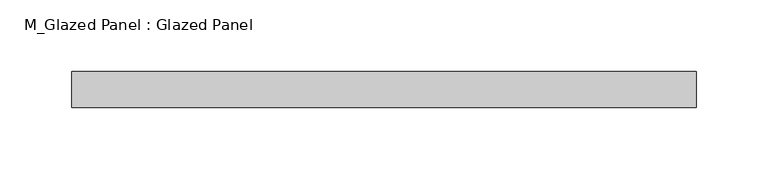
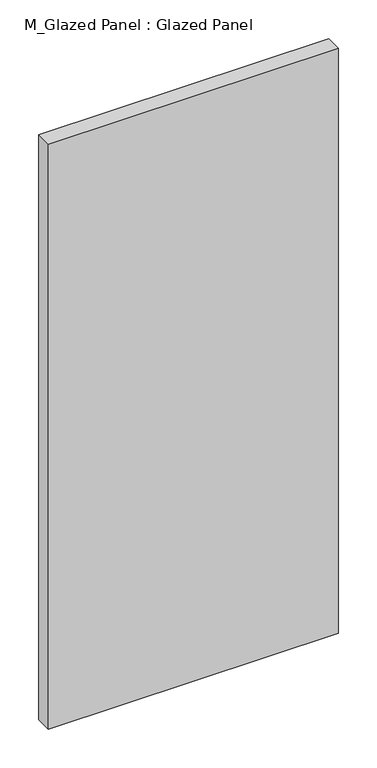
"""IFC4 building model written with IfcOpenShell, lengths in millimetres: plate geometry, M_Glazed Panel : Glazed Panel."""

from ifc_helpers import new_model, si_unit, origin, origin_with_axes, place, context, project, spatial, polyline, outline, extrude, source, transform, mapped, element, save


def m_glazed_panel_glazed_panel_bbbbf90a(model_context):
    return source(origin(), model_context, "Body", "SweptSolid", [
        extrude(outline(polyline([(216.7342697, -38.5), (216.7342697, -63.5), (-216.7342697, -63.5), (-216.7342697, -38.5), (216.7342697, -38.5)])), origin_with_axes(), (0.0, 0.0, 1.0), 925.0),
    ])


if __name__ == "__main__":
    model = new_model("IFC4")
    model_context = context("Model", 3, world=origin())
    ifc_project = project(units=[si_unit("LENGTHUNIT", "METRE", prefix="MILLI")], contexts=[model_context])
    site = spatial("IfcSite", under=ifc_project)
    building = spatial("IfcBuilding", under=site)
    placement = place(None, origin())
    m_glazed_panel_glazed_panel_shape = m_glazed_panel_glazed_panel_bbbbf90a(model_context)
    element("IfcPlate", 1, ObjectType="M_Glazed Panel : Glazed Panel", at=placement, inside=building, context=model_context, shape_type="MappedRepresentation", body=[
        mapped(m_glazed_panel_glazed_panel_shape, transform((0.0, 0.0, 0.0), x_axis=(1.0, 0.0, 0.0), y_axis=(0.0, 1.0, 0.0), z_axis=(0.0, 0.0, 1.0))),
    ])
    save(model, "model.ifc")
